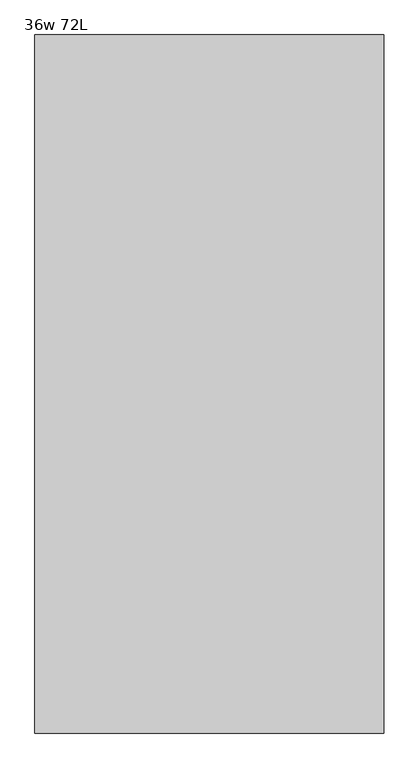
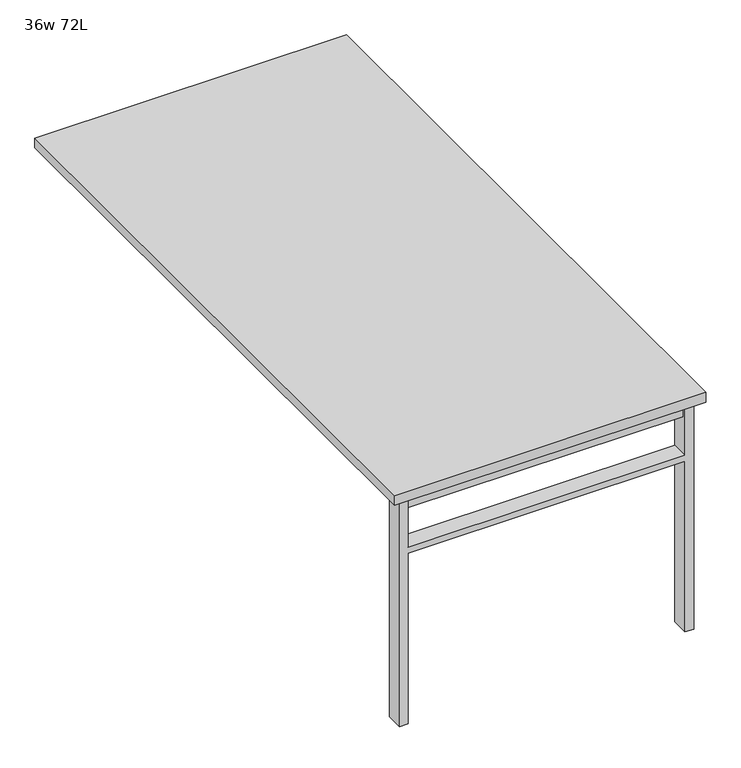
"""IFC4 building model written with IfcOpenShell, lengths in millimetres: furniture geometry, 36w 72L."""

from ifc_helpers import new_model, si_unit, frame, origin, place, context, project, spatial, polyline, outline, extrude, source, transform, mapped, element, save


def furniture_36w_72l_2dfd10e7(model_context):
    return source(origin(), model_context, "Body", "SweptSolid", [
        extrude(outline(polyline([(-406.4, -854.075), (406.4, -854.075), (406.4, -885.825), (-406.4, -885.825), (-406.4, -854.075)])), frame((0.0, 0.0, 661.9875), z_axis=(0.0, 0.0, 1.0), x_axis=(1.0, 0.0, 0.0)), (0.0, 0.0, 1.0), 44.45),
        extrude(outline(polyline([(528.6375, 406.4), (0.0, 406.4), (0.0, 431.8), (706.4375, 431.8), (706.4375, 406.4), (547.6875, 406.4), (547.6875, -406.4), (706.4375, -406.4), (706.4375, -431.8), (0.0, -431.8), (0.0, -406.4), (528.6375, -406.4), (528.6375, 406.4)])), frame((0.0, -895.35, 0.0), z_axis=(0.0, 1.0, 0.0), x_axis=(0.0, 0.0, 1.0)), (0.0, 0.0, 1.0), 50.8),
        extrude(outline(polyline([(-457.2, -914.4), (-457.2, 914.4), (457.2, 914.4), (457.2, -914.4), (-457.2, -914.4)])), frame((0.0, 0.0, 706.4375), z_axis=(0.0, 0.0, 1.0), x_axis=(1.0, 0.0, 0.0)), (0.0, 0.0, 1.0), 30.1625),
    ])


if __name__ == "__main__":
    model = new_model("IFC4")
    model_context = context("Model", 3, world=origin())
    ifc_project = project(units=[si_unit("LENGTHUNIT", "METRE", prefix="MILLI")], contexts=[model_context])
    site = spatial("IfcSite", under=ifc_project)
    building = spatial("IfcBuilding", under=site)
    placement = place(None, origin())
    furniture_36w_72l_shape = furniture_36w_72l_2dfd10e7(model_context)
    element("IfcFurniture", 1, ObjectType="36w 72L", at=placement, inside=building, context=model_context, shape_type="MappedRepresentation", body=[
        mapped(furniture_36w_72l_shape, transform((0.0, 0.0, 0.0), x_axis=(1.0, 0.0, 0.0), y_axis=(0.0, 1.0, 0.0), z_axis=(0.0, 0.0, 1.0))),
    ])
    save(model, "model.ifc")
